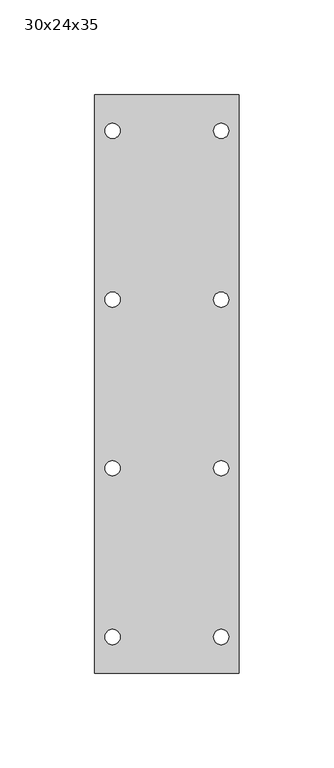
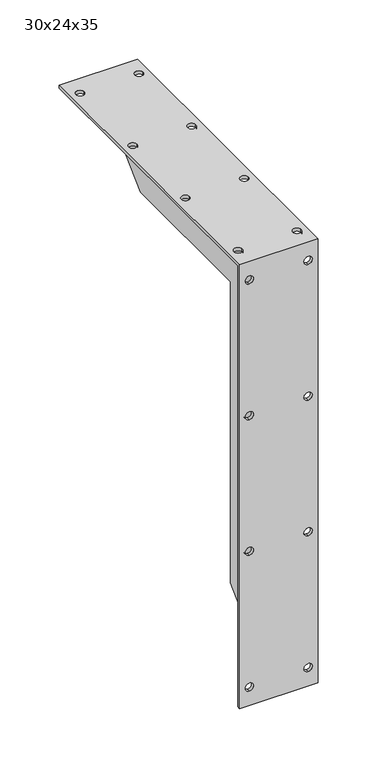
"""IFC4 building model written with IfcOpenShell, lengths in millimetres: furniture geometry, 30x24x35."""

import ifcopenshell
import ifcopenshell.guid

model = None  # the IFC model being written
_history = None  # IfcOwnerHistory: only IFC2X3 demands one
_inside = {}  # id of a spatial element -> (the spatial element, [elements in it])
_under = {}  # id of a project, library or spatial element -> (it, [spatial elements below it])
_declared = {}  # id of a project -> (the project, [libraries it declares])
_typed = {}  # id of a type object -> (the type object, [elements of that type])
_made_of = {}  # id of a material, layer set ... -> (it, [elements and type objects made of it])


def new_model(schema):
    """Start an empty IFC model of exactly this schema.

    Asked for "IFC4X3", IfcOpenShell would pick the latest addendum, in which some entities
    have other attributes; the version numbers below select the first issue.
    IFC2X3 requires an IfcOwnerHistory on every rooted entity: one is made here for all.
    """
    global model, _history
    if schema == "IFC4X3":
        model = ifcopenshell.file(schema_version=(4, 3, 0, 0))
    else:
        model = ifcopenshell.file(schema=schema)
    _inside.clear()
    _under.clear()
    _declared.clear()
    _typed.clear()
    _made_of.clear()
    _history = None
    if model.schema == "IFC2X3":
        org = make("IfcOrganization", Name="unknown")
        user = make(
            "IfcPersonAndOrganization",
            ThePerson=make("IfcPerson", FamilyName="unknown"),
            TheOrganization=org,
        )
        app = make(
            "IfcApplication",
            ApplicationDeveloper=org,
            Version="unknown",
            ApplicationFullName="unknown",
            ApplicationIdentifier="unknown",
        )
        _history = make(
            "IfcOwnerHistory",
            OwningUser=user,
            OwningApplication=app,
            ChangeAction="ADDED",
            CreationDate=0,
        )
    return model


def make(cls, **values):
    """One entity of the class cls with the attributes given. An attribute that is None is left unset."""
    return model.create_entity(
        cls, **{name: value for name, value in values.items() if value is not None}
    )


def rooted(cls, **values):
    """An entity with a GlobalId (a new one), such as an element, a storey or a relation."""
    return make(cls, GlobalId=ifcopenshell.guid.new(), OwnerHistory=_history, **values)


def si_unit(unit_type, name, prefix=None):
    """IfcSIUnit, for example si_unit("LENGTHUNIT", "METRE", prefix="MILLI")."""
    return make("IfcSIUnit", UnitType=unit_type, Prefix=prefix, Name=name)


def assignment(units):
    """IfcUnitAssignment: the units of a project."""
    return None if units is None else make("IfcUnitAssignment", Units=units)


def point(xyz):
    """IfcCartesianPoint."""
    return None if xyz is None else make("IfcCartesianPoint", Coordinates=xyz)


def direction(xyz):
    """IfcDirection."""
    return None if xyz is None else make("IfcDirection", DirectionRatios=xyz)


def frame(location, z_axis=None, x_axis=None):
    """IfcAxis2Placement3D, a coordinate frame: its origin and axes. An axis left out is left unset."""
    return make(
        "IfcAxis2Placement3D",
        Location=point(location),
        Axis=direction(z_axis),
        RefDirection=direction(x_axis),
    )


def origin():
    """The frame at (0, 0, 0) with its axes left unset."""
    return frame((0.0, 0.0, 0.0))


def place(relative_to, where):
    """IfcLocalPlacement: puts the frame where relative to a parent placement (None: the world)."""
    return make(
        "IfcLocalPlacement", PlacementRelTo=relative_to, RelativePlacement=where
    )


def context(
    kind, dimensions, precision=None, world=None, true_north=None, identifier=None
):
    """IfcGeometricRepresentationContext, for example the 3D "Model" context."""
    return make(
        "IfcGeometricRepresentationContext",
        ContextIdentifier=identifier,
        ContextType=kind,
        CoordinateSpaceDimension=dimensions,
        Precision=precision,
        WorldCoordinateSystem=world,
        TrueNorth=true_north,
    )


def project(units=None, contexts=None):
    """IfcProject with its units and contexts."""
    return rooted(
        "IfcProject",
        Name="project",
        RepresentationContexts=contexts,
        UnitsInContext=assignment(units),
    )


def spatial(cls, under=None, at=None, **own):
    """A site, building, storey or space (cls), placed at a placement, below another one or the project."""
    s = rooted(cls, ObjectPlacement=at, **own)
    if under is not None:
        _under.setdefault(under.id(), (under, []))[1].append(s)
    return s


def polyline(points):
    """IfcPolyline through the points."""
    return make("IfcPolyline", Points=[point(p) for p in points])


def circle_curve(where, radius):
    """IfcCircle in the frame where."""
    return make("IfcCircle", Position=where, Radius=radius)


def outline(outer, holes=None, kind="AREA"):
    """IfcArbitraryClosedProfileDef: a profile drawn as a closed curve; with holes, ...WithVoids."""
    if holes is None:
        return make("IfcArbitraryClosedProfileDef", ProfileType=kind, OuterCurve=outer)
    return make(
        "IfcArbitraryProfileDefWithVoids",
        ProfileType=kind,
        OuterCurve=outer,
        InnerCurves=holes,
    )


def extrude(swept, where, along, depth):
    """IfcExtrudedAreaSolid: the profile swept, set in the frame where, extruded along a direction by depth."""
    return make(
        "IfcExtrudedAreaSolid",
        SweptArea=swept,
        Position=where,
        ExtrudedDirection=direction(along),
        Depth=depth,
    )


def shape(context_of_items, identifier, shape_type, items):
    """IfcShapeRepresentation: the items that make up one representation, for example the "Body"."""
    return make(
        "IfcShapeRepresentation",
        ContextOfItems=context_of_items,
        RepresentationIdentifier=identifier,
        RepresentationType=shape_type,
        Items=items,
    )


def source(mapping_origin, context_of_items, identifier, shape_type, items):
    """IfcRepresentationMap: a shape defined once, which mapped items show again and again."""
    return make(
        "IfcRepresentationMap",
        MappingOrigin=mapping_origin,
        MappedRepresentation=shape(context_of_items, identifier, shape_type, items),
    )


def transform(
    local_origin,
    x_axis=None,
    y_axis=None,
    z_axis=None,
    scale=None,
    scale2=None,
    scale3=None,
    uniform=True,
):
    """IfcCartesianTransformationOperator3D, or its non-uniform kind. x_axis, y_axis, z_axis: its Axis1, 2, 3."""
    if uniform:
        return make(
            "IfcCartesianTransformationOperator3D",
            Axis1=direction(x_axis),
            Axis2=direction(y_axis),
            LocalOrigin=point(local_origin),
            Scale=scale,
            Axis3=direction(z_axis),
        )
    return make(
        "IfcCartesianTransformationOperator3DnonUniform",
        Axis1=direction(x_axis),
        Axis2=direction(y_axis),
        LocalOrigin=point(local_origin),
        Scale=scale,
        Axis3=direction(z_axis),
        Scale2=scale2,
        Scale3=scale3,
    )


def mapped(mapping_source, mapping_target):
    """IfcMappedItem: shows the shape of a source again, moved by a transform."""
    return make(
        "IfcMappedItem", MappingSource=mapping_source, MappingTarget=mapping_target
    )


def made_of(thing, what):
    """Note that an element or type object is made of a material, layer set ...; save() writes the relation."""
    if what is not None:
        _made_of.setdefault(what.id(), (what, []))[1].append(thing)
    return thing


def element(
    cls,
    number,
    at=None,
    inside=None,
    cuts=None,
    type_object=None,
    material=None,
    context=None,
    identifier="Body",
    shape_type=None,
    held_by="IfcProductDefinitionShape",
    body=None,
    shapes=None,
    **own,
):
    """One element of the class cls, such as IfcWall. Its Tag is "e" and its number.

    at: its placement. inside: the storey or other place that contains it. cuts: it is an
    opening in that element (IfcRelVoidsElement). A single representation is given by context,
    identifier, shape_type and body (its items); several are given by shapes. held_by: the class
    of the entity that holds the representations. save() writes the other relations.
    """
    e = rooted(cls, Tag="e%d" % number, ObjectPlacement=at, **own)
    if body is not None:
        shapes = [shape(context, identifier, shape_type, body)]
    if shapes is not None:
        e.Representation = make(held_by, Representations=shapes)
    if inside is not None:
        _inside.setdefault(inside.id(), (inside, []))[1].append(e)
    if cuts is not None:
        rooted(
            "IfcRelVoidsElement", RelatingBuildingElement=cuts, RelatedOpeningElement=e
        )
    if type_object is not None:
        _typed.setdefault(type_object.id(), (type_object, []))[1].append(e)
    return made_of(e, material)


def aggregate(whole, parts):
    """IfcRelAggregates: a whole, such as a stair, and the parts it consists of."""
    return rooted("IfcRelAggregates", RelatingObject=whole, RelatedObjects=parts)


def save(model, path):
    """Write the relations noted so far, then the file.

    IfcRelAggregates (storeys below a building ...), IfcRelContainedInSpatialStructure (elements
    in a storey), IfcRelDefinesByType, IfcRelAssociatesMaterial and IfcRelDeclares: one each for
    every whole, place, type object, material and project.
    """
    for whole, parts in _under.values():
        aggregate(whole, parts)
    for where, things in _inside.values():
        rooted(
            "IfcRelContainedInSpatialStructure",
            RelatedElements=things,
            RelatingStructure=where,
        )
    for kind, things in _typed.values():
        rooted("IfcRelDefinesByType", RelatedObjects=things, RelatingType=kind)
    for what, things in _made_of.values():
        rooted("IfcRelAssociatesMaterial", RelatedObjects=things, RelatingMaterial=what)
    for by, libraries in _declared.values():
        rooted("IfcRelDeclares", RelatingContext=by, RelatedDefinitions=libraries)
    model.write(path)


def plane_surface(at):
    """IfcPlane: the flat surface through the origin of the frame at, square to its z axis."""
    return make("IfcPlane", Position=at)


def revolved_surface(curve, axis_point, axis_direction):
    """IfcSurfaceOfRevolution: the curve turned about the line through axis_point along axis_direction."""
    return make(
        "IfcSurfaceOfRevolution",
        SweptCurve=make("IfcArbitraryOpenProfileDef", ProfileType="CURVE", Curve=curve),
        AxisPosition=make("IfcAxis1Placement", Location=point(axis_point), Axis=direction(axis_direction)),
    )


def advanced_brep(points, edges, surfaces, faces):
    """IfcAdvancedBrep: a solid bounded by faces that lie on surfaces and meet in shared edges.

    An edge is (start, end): straight between two places in points (the first is 0);
    or (start, end, curve); or (start, end, curve, False) where it runs against its curve.
    A face is (place in surfaces, loops), or (place, loops, False) where it looks against
    its surface's normal. A loop lists edges by number (the first is 1), with a minus sign
    where the edge is run from its end to its start. The first loop is the outer one.
    """
    corners = [point(p) for p in points]
    vertices = [make("IfcVertexPoint", VertexGeometry=c) for c in corners]
    made = []
    for start, end, *more in edges:
        made.append(
            make(
                "IfcEdgeCurve",
                EdgeStart=vertices[start],
                EdgeEnd=vertices[end],
                EdgeGeometry=more[0] if more else make("IfcPolyline", Points=[corners[start], corners[end]]),
                SameSense=more[1] if len(more) > 1 else True,
            )
        )
    hull = []
    for where, loops, *sense in faces:
        bounds = []
        for j, loop in enumerate(loops):
            ring = [make("IfcOrientedEdge", EdgeElement=made[abs(k) - 1], Orientation=k > 0) for k in loop]
            bounds.append(
                make(
                    "IfcFaceOuterBound" if j == 0 else "IfcFaceBound",
                    Bound=make("IfcEdgeLoop", EdgeList=ring),
                    Orientation=True,
                )
            )
        hull.append(make("IfcAdvancedFace", Bounds=bounds, FaceSurface=surfaces[where], SameSense=sense[0] if sense else True))
    return make("IfcAdvancedBrep", Outer=make("IfcClosedShell", CfsFaces=hull))


def furniture_30x24x35_a40abd54(model_context):
    return source(origin(), model_context, "Body", "SolidModel", [
        extrude(outline(polyline([(76.2124315, 220.6910271), (3.4124315, 149.4), (3.4124315, 603.6), (305.2124315, 603.6), (228.4972383, 530.8), (76.2124315, 530.8), (76.2124315, 220.6910271)])), frame((-335.9622951, 0.0, 0.0), z_axis=(1.0, 0.0, 0.0), x_axis=(0.0, 1.0, 0.0)), (0.0, 0.0, 1.0), 6.4),
        advanced_brep(
        [(-370.8622951, 0.4124315, 606.6), (-370.8622951, 305.2124315, 606.6), (-370.8622951, 305.2124315, 603.6), (-370.8622951, 3.4124315, 603.6), (-370.8622951, 3.4124315, 149.4), (-370.8622951, 0.4124315, 149.4), (-294.6622951, 0.4124315, 606.6), (-294.6622951, 0.4124315, 149.4), (-294.6622951, 3.4124315, 149.4), (-294.6622951, 3.4124315, 603.6), (-294.6622951, 305.2124315, 603.6), (-294.6622951, 305.2124315, 606.6), (-361.4622951, 0.4124315, 583.6), (-361.4622951, 0.4124315, 591.6), (-304.0622951, 0.4124315, 583.6), (-304.0622951, 0.4124315, 591.6), (-361.4622951, 0.4124315, 164.4), (-361.4622951, 0.4124315, 172.4), (-304.0622951, 0.4124315, 164.4), (-304.0622951, 0.4124315, 172.4), (-304.0622951, 0.4124315, 304.1333333), (-304.0622951, 0.4124315, 312.1333333), (-361.4622951, 0.4124315, 304.1333333), (-361.4622951, 0.4124315, 312.1333333), (-361.4622951, 0.4124315, 443.8666667), (-361.4622951, 0.4124315, 451.8666667), (-304.0622951, 0.4124315, 443.8666667), (-304.0622951, 0.4124315, 451.8666667), (-361.4622951, 3.4124315, 591.6), (-361.4622951, 3.4124315, 583.6), (-304.0622951, 3.4124315, 591.6), (-304.0622951, 3.4124315, 583.6), (-361.4622951, 3.4124315, 172.4), (-361.4622951, 3.4124315, 164.4), (-304.0622951, 3.4124315, 172.4), (-304.0622951, 3.4124315, 164.4), (-304.0622951, 3.4124315, 312.1333333), (-304.0622951, 3.4124315, 304.1333333), (-361.4622951, 3.4124315, 312.1333333), (-361.4622951, 3.4124315, 304.1333333), (-361.4622951, 3.4124315, 451.8666667), (-361.4622951, 3.4124315, 443.8666667), (-304.0622951, 3.4124315, 451.8666667), (-304.0622951, 3.4124315, 443.8666667), (-357.4622951, 286.2124315, 603.6), (-365.4622951, 286.2124315, 603.6), (-300.0622951, 286.2124315, 603.6), (-308.0622951, 286.2124315, 603.6), (-357.4622951, 197.2790981, 603.6), (-365.4622951, 197.2790981, 603.6), (-300.0622951, 197.2790981, 603.6), (-308.0622951, 197.2790981, 603.6), (-357.4622951, 108.3457648, 603.6), (-365.4622951, 108.3457648, 603.6), (-300.0622951, 108.3457648, 603.6), (-308.0622951, 108.3457648, 603.6), (-357.4622951, 19.4124315, 603.6), (-365.4622951, 19.4124315, 603.6), (-300.0622951, 19.4124315, 603.6), (-308.0622951, 19.4124315, 603.6), (-365.4622951, 286.2124315, 606.6), (-357.4622951, 286.2124315, 606.6), (-308.0622951, 286.2124315, 606.6), (-300.0622951, 286.2124315, 606.6), (-365.4622951, 197.2790981, 606.6), (-357.4622951, 197.2790981, 606.6), (-308.0622951, 197.2790981, 606.6), (-300.0622951, 197.2790981, 606.6), (-365.4622951, 108.3457648, 606.6), (-357.4622951, 108.3457648, 606.6), (-308.0622951, 108.3457648, 606.6), (-300.0622951, 108.3457648, 606.6), (-365.4622951, 19.4124315, 606.6), (-357.4622951, 19.4124315, 606.6), (-308.0622951, 19.4124315, 606.6), (-300.0622951, 19.4124315, 606.6)],
        [
            (0, 1),
            (1, 2),
            (2, 3),
            (3, 4),
            (4, 5),
            (5, 0),
            (6, 7),
            (7, 8),
            (8, 9),
            (9, 10),
            (10, 11),
            (11, 6),
            (5, 7),
            (6, 0),
            (12, 13, circle_curve(frame((-361.4622951, 0.4124315, 587.6), z_axis=(0.0, 1.0, 0.0), x_axis=(0.0, 0.0, 1.0)), 4.0)),
            (13, 12, circle_curve(frame((-361.4622951, 0.4124315, 587.6), z_axis=(0.0, 1.0, 0.0), x_axis=(0.0, 0.0, 1.0)), 4.0)),
            (14, 15, circle_curve(frame((-304.0622951, 0.4124315, 587.6), z_axis=(0.0, 1.0, 0.0), x_axis=(0.0, 0.0, 1.0)), 4.0)),
            (15, 14, circle_curve(frame((-304.0622951, 0.4124315, 587.6), z_axis=(0.0, 1.0, 0.0), x_axis=(0.0, 0.0, 1.0)), 4.0)),
            (16, 17, circle_curve(frame((-361.4622951, 0.4124315, 168.4), z_axis=(0.0, 1.0, 0.0), x_axis=(0.0, 0.0, 1.0)), 4.0)),
            (17, 16, circle_curve(frame((-361.4622951, 0.4124315, 168.4), z_axis=(0.0, 1.0, 0.0), x_axis=(0.0, 0.0, 1.0)), 4.0)),
            (18, 19, circle_curve(frame((-304.0622951, 0.4124315, 168.4), z_axis=(0.0, 1.0, 0.0), x_axis=(0.0, 0.0, 1.0)), 4.0)),
            (19, 18, circle_curve(frame((-304.0622951, 0.4124315, 168.4), z_axis=(0.0, 1.0, 0.0), x_axis=(0.0, 0.0, 1.0)), 4.0)),
            (20, 21, circle_curve(frame((-304.0622951, 0.4124315, 308.1333333), z_axis=(0.0, 1.0, 0.0), x_axis=(0.0, 0.0, 1.0)), 4.0)),
            (21, 20, circle_curve(frame((-304.0622951, 0.4124315, 308.1333333), z_axis=(0.0, 1.0, 0.0), x_axis=(0.0, 0.0, 1.0)), 4.0)),
            (22, 23, circle_curve(frame((-361.4622951, 0.4124315, 308.1333333), z_axis=(0.0, 1.0, 0.0), x_axis=(0.0, 0.0, 1.0)), 4.0)),
            (23, 22, circle_curve(frame((-361.4622951, 0.4124315, 308.1333333), z_axis=(0.0, 1.0, 0.0), x_axis=(0.0, 0.0, 1.0)), 4.0)),
            (24, 25, circle_curve(frame((-361.4622951, 0.4124315, 447.8666667), z_axis=(0.0, 1.0, 0.0), x_axis=(0.0, 0.0, 1.0)), 4.0)),
            (25, 24, circle_curve(frame((-361.4622951, 0.4124315, 447.8666667), z_axis=(0.0, 1.0, 0.0), x_axis=(0.0, 0.0, 1.0)), 4.0)),
            (26, 27, circle_curve(frame((-304.0622951, 0.4124315, 447.8666667), z_axis=(0.0, 1.0, 0.0), x_axis=(0.0, 0.0, 1.0)), 4.0)),
            (27, 26, circle_curve(frame((-304.0622951, 0.4124315, 447.8666667), z_axis=(0.0, 1.0, 0.0), x_axis=(0.0, 0.0, 1.0)), 4.0)),
            (4, 8),
            (3, 9),
            (28, 29, circle_curve(frame((-361.4622951, 3.4124315, 587.6), z_axis=(0.0, -1.0, 0.0), x_axis=(0.0, 0.0, 1.0)), 4.0)),
            (29, 28, circle_curve(frame((-361.4622951, 3.4124315, 587.6), z_axis=(0.0, -1.0, 0.0), x_axis=(0.0, 0.0, 1.0)), 4.0)),
            (30, 31, circle_curve(frame((-304.0622951, 3.4124315, 587.6), z_axis=(0.0, -1.0, 0.0), x_axis=(0.0, 0.0, 1.0)), 4.0)),
            (31, 30, circle_curve(frame((-304.0622951, 3.4124315, 587.6), z_axis=(0.0, -1.0, 0.0), x_axis=(0.0, 0.0, 1.0)), 4.0)),
            (32, 33, circle_curve(frame((-361.4622951, 3.4124315, 168.4), z_axis=(0.0, -1.0, 0.0), x_axis=(0.0, 0.0, 1.0)), 4.0)),
            (33, 32, circle_curve(frame((-361.4622951, 3.4124315, 168.4), z_axis=(0.0, -1.0, 0.0), x_axis=(0.0, 0.0, 1.0)), 4.0)),
            (34, 35, circle_curve(frame((-304.0622951, 3.4124315, 168.4), z_axis=(0.0, -1.0, 0.0), x_axis=(0.0, 0.0, 1.0)), 4.0)),
            (35, 34, circle_curve(frame((-304.0622951, 3.4124315, 168.4), z_axis=(0.0, -1.0, 0.0), x_axis=(0.0, 0.0, 1.0)), 4.0)),
            (36, 37, circle_curve(frame((-304.0622951, 3.4124315, 308.1333333), z_axis=(0.0, -1.0, 0.0), x_axis=(0.0, 0.0, 1.0)), 4.0)),
            (37, 36, circle_curve(frame((-304.0622951, 3.4124315, 308.1333333), z_axis=(0.0, -1.0, 0.0), x_axis=(0.0, 0.0, 1.0)), 4.0)),
            (38, 39, circle_curve(frame((-361.4622951, 3.4124315, 308.1333333), z_axis=(0.0, -1.0, 0.0), x_axis=(0.0, 0.0, 1.0)), 4.0)),
            (39, 38, circle_curve(frame((-361.4622951, 3.4124315, 308.1333333), z_axis=(0.0, -1.0, 0.0), x_axis=(0.0, 0.0, 1.0)), 4.0)),
            (40, 41, circle_curve(frame((-361.4622951, 3.4124315, 447.8666667), z_axis=(0.0, -1.0, 0.0), x_axis=(0.0, 0.0, 1.0)), 4.0)),
            (41, 40, circle_curve(frame((-361.4622951, 3.4124315, 447.8666667), z_axis=(0.0, -1.0, 0.0), x_axis=(0.0, 0.0, 1.0)), 4.0)),
            (42, 43, circle_curve(frame((-304.0622951, 3.4124315, 447.8666667), z_axis=(0.0, -1.0, 0.0), x_axis=(0.0, 0.0, 1.0)), 4.0)),
            (43, 42, circle_curve(frame((-304.0622951, 3.4124315, 447.8666667), z_axis=(0.0, -1.0, 0.0), x_axis=(0.0, 0.0, 1.0)), 4.0)),
            (2, 10),
            (44, 45, circle_curve(frame((-361.4622951, 286.2124315, 603.6), z_axis=(0.0, 0.0, 1.0), x_axis=(-1.0, 0.0, 0.0)), 4.0)),
            (45, 44, circle_curve(frame((-361.4622951, 286.2124315, 603.6), z_axis=(0.0, 0.0, 1.0), x_axis=(-1.0, 0.0, 0.0)), 4.0)),
            (46, 47, circle_curve(frame((-304.0622951, 286.2124315, 603.6), z_axis=(0.0, 0.0, 1.0), x_axis=(-1.0, 0.0, 0.0)), 4.0)),
            (47, 46, circle_curve(frame((-304.0622951, 286.2124315, 603.6), z_axis=(0.0, 0.0, 1.0), x_axis=(-1.0, 0.0, 0.0)), 4.0)),
            (48, 49, circle_curve(frame((-361.4622951, 197.2790981, 603.6), z_axis=(0.0, 0.0, 1.0), x_axis=(-1.0, 0.0, 0.0)), 4.0)),
            (49, 48, circle_curve(frame((-361.4622951, 197.2790981, 603.6), z_axis=(0.0, 0.0, 1.0), x_axis=(-1.0, 0.0, 0.0)), 4.0)),
            (50, 51, circle_curve(frame((-304.0622951, 197.2790981, 603.6), z_axis=(0.0, 0.0, 1.0), x_axis=(-1.0, 0.0, 0.0)), 4.0)),
            (51, 50, circle_curve(frame((-304.0622951, 197.2790981, 603.6), z_axis=(0.0, 0.0, 1.0), x_axis=(-1.0, 0.0, 0.0)), 4.0)),
            (52, 53, circle_curve(frame((-361.4622951, 108.3457648, 603.6), z_axis=(0.0, 0.0, 1.0), x_axis=(-1.0, 0.0, 0.0)), 4.0)),
            (53, 52, circle_curve(frame((-361.4622951, 108.3457648, 603.6), z_axis=(0.0, 0.0, 1.0), x_axis=(-1.0, 0.0, 0.0)), 4.0)),
            (54, 55, circle_curve(frame((-304.0622951, 108.3457648, 603.6), z_axis=(0.0, 0.0, 1.0), x_axis=(-1.0, 0.0, 0.0)), 4.0)),
            (55, 54, circle_curve(frame((-304.0622951, 108.3457648, 603.6), z_axis=(0.0, 0.0, 1.0), x_axis=(-1.0, 0.0, 0.0)), 4.0)),
            (56, 57, circle_curve(frame((-361.4622951, 19.4124315, 603.6), z_axis=(0.0, 0.0, 1.0), x_axis=(-1.0, 0.0, 0.0)), 4.0)),
            (57, 56, circle_curve(frame((-361.4622951, 19.4124315, 603.6), z_axis=(0.0, 0.0, 1.0), x_axis=(-1.0, 0.0, 0.0)), 4.0)),
            (58, 59, circle_curve(frame((-304.0622951, 19.4124315, 603.6), z_axis=(0.0, 0.0, 1.0), x_axis=(-1.0, 0.0, 0.0)), 4.0)),
            (59, 58, circle_curve(frame((-304.0622951, 19.4124315, 603.6), z_axis=(0.0, 0.0, 1.0), x_axis=(-1.0, 0.0, 0.0)), 4.0)),
            (1, 11),
            (60, 61, circle_curve(frame((-361.4622951, 286.2124315, 606.6), z_axis=(0.0, 0.0, -1.0), x_axis=(-1.0, 0.0, 0.0)), 4.0)),
            (61, 60, circle_curve(frame((-361.4622951, 286.2124315, 606.6), z_axis=(0.0, 0.0, -1.0), x_axis=(-1.0, 0.0, 0.0)), 4.0)),
            (62, 63, circle_curve(frame((-304.0622951, 286.2124315, 606.6), z_axis=(0.0, 0.0, -1.0), x_axis=(-1.0, 0.0, 0.0)), 4.0)),
            (63, 62, circle_curve(frame((-304.0622951, 286.2124315, 606.6), z_axis=(0.0, 0.0, -1.0), x_axis=(-1.0, 0.0, 0.0)), 4.0)),
            (64, 65, circle_curve(frame((-361.4622951, 197.2790981, 606.6), z_axis=(0.0, 0.0, -1.0), x_axis=(-1.0, 0.0, 0.0)), 4.0)),
            (65, 64, circle_curve(frame((-361.4622951, 197.2790981, 606.6), z_axis=(0.0, 0.0, -1.0), x_axis=(-1.0, 0.0, 0.0)), 4.0)),
            (66, 67, circle_curve(frame((-304.0622951, 197.2790981, 606.6), z_axis=(0.0, 0.0, -1.0), x_axis=(-1.0, 0.0, 0.0)), 4.0)),
            (67, 66, circle_curve(frame((-304.0622951, 197.2790981, 606.6), z_axis=(0.0, 0.0, -1.0), x_axis=(-1.0, 0.0, 0.0)), 4.0)),
            (68, 69, circle_curve(frame((-361.4622951, 108.3457648, 606.6), z_axis=(0.0, 0.0, -1.0), x_axis=(-1.0, 0.0, 0.0)), 4.0)),
            (69, 68, circle_curve(frame((-361.4622951, 108.3457648, 606.6), z_axis=(0.0, 0.0, -1.0), x_axis=(-1.0, 0.0, 0.0)), 4.0)),
            (70, 71, circle_curve(frame((-304.0622951, 108.3457648, 606.6), z_axis=(0.0, 0.0, -1.0), x_axis=(-1.0, 0.0, 0.0)), 4.0)),
            (71, 70, circle_curve(frame((-304.0622951, 108.3457648, 606.6), z_axis=(0.0, 0.0, -1.0), x_axis=(-1.0, 0.0, 0.0)), 4.0)),
            (72, 73, circle_curve(frame((-361.4622951, 19.4124315, 606.6), z_axis=(0.0, 0.0, -1.0), x_axis=(-1.0, 0.0, 0.0)), 4.0)),
            (73, 72, circle_curve(frame((-361.4622951, 19.4124315, 606.6), z_axis=(0.0, 0.0, -1.0), x_axis=(-1.0, 0.0, 0.0)), 4.0)),
            (74, 75, circle_curve(frame((-304.0622951, 19.4124315, 606.6), z_axis=(0.0, 0.0, -1.0), x_axis=(-1.0, 0.0, 0.0)), 4.0)),
            (75, 74, circle_curve(frame((-304.0622951, 19.4124315, 606.6), z_axis=(0.0, 0.0, -1.0), x_axis=(-1.0, 0.0, 0.0)), 4.0)),
            (29, 12),
            (13, 28),
            (31, 14),
            (15, 30),
            (33, 16),
            (17, 32),
            (35, 18),
            (19, 34),
            (37, 20),
            (21, 36),
            (39, 22),
            (23, 38),
            (41, 24),
            (25, 40),
            (43, 26),
            (27, 42),
            (61, 44),
            (45, 60),
            (63, 46),
            (47, 62),
            (65, 48),
            (49, 64),
            (67, 50),
            (51, 66),
            (69, 52),
            (53, 68),
            (71, 54),
            (55, 70),
            (73, 56),
            (57, 72),
            (75, 58),
            (59, 74),
        ],
        [
            plane_surface(frame((-370.8622951, 0.4124315, 149.4), z_axis=(-1.0, 0.0, 0.0), x_axis=(0.0, 0.0, -1.0))),
            plane_surface(frame((-294.6622951, 0.4124315, 149.4), z_axis=(1.0, 0.0, 0.0), x_axis=(0.0, 0.0, 1.0))),
            plane_surface(frame((-370.8622951, 0.4124315, 606.6), z_axis=(0.0, -1.0, 0.0), x_axis=(1.0, 0.0, 0.0))),
            plane_surface(frame((-370.8622951, 0.4124315, 149.4), z_axis=(0.0, 0.0, -1.0), x_axis=(1.0, 0.0, 0.0))),
            plane_surface(frame((-370.8622951, 3.4124315, 149.4), z_axis=(0.0, 1.0, 0.0), x_axis=(1.0, 0.0, 0.0))),
            plane_surface(frame((-370.8622951, 3.4124315, 603.6), z_axis=(0.0, 0.0, -1.0), x_axis=(1.0, 0.0, 0.0))),
            plane_surface(frame((-370.8622951, 305.2124315, 603.6), z_axis=(0.0, 1.0, 0.0), x_axis=(1.0, 0.0, 0.0))),
            plane_surface(frame((-370.8622951, 305.2124315, 606.6), z_axis=(0.0, 0.0, 1.0), x_axis=(1.0, 0.0, 0.0))),
            revolved_surface(polyline([(-361.4622951, 3.4124315, 591.6), (-361.4622951, 0.4124315, 591.6)]), (-361.4622951, 0.4124315, 587.6), (0.0, 1.0, 0.0)),
            revolved_surface(polyline([(-304.0622951, 3.4124315, 591.6), (-304.0622951, 0.41243149999999984, 591.6)]), (-304.0622951, 3.4124315, 587.6), (0.0, 1.0, 0.0)),
            revolved_surface(polyline([(-361.4622951, 3.4124315, 172.4), (-361.4622951, 0.41243149999999984, 172.4)]), (-361.4622951, 3.4124315, 168.4), (0.0, 1.0, 0.0)),
            revolved_surface(polyline([(-304.0622951, 3.4124315, 172.4), (-304.0622951, 0.41243149999999984, 172.4)]), (-304.0622951, 3.4124315, 168.4), (0.0, 1.0, 0.0)),
            revolved_surface(polyline([(-304.0622951, 3.4124315, 312.1333333), (-304.0622951, 0.41243149999999984, 312.1333333)]), (-304.0622951, 3.4124315, 308.1333333), (0.0, 1.0, 0.0)),
            revolved_surface(polyline([(-361.4622951, 3.4124315, 312.1333333), (-361.4622951, 0.41243149999999984, 312.1333333)]), (-361.4622951, 3.4124315, 308.1333333), (0.0, 1.0, 0.0)),
            revolved_surface(polyline([(-361.4622951, 3.4124315, 451.8666667), (-361.4622951, 0.41243149999999984, 451.8666667)]), (-361.4622951, 3.4124315, 447.8666667), (0.0, 1.0, 0.0)),
            revolved_surface(polyline([(-304.0622951, 3.4124315, 451.8666667), (-304.0622951, 0.41243149999999984, 451.8666667)]), (-304.0622951, 3.4124315, 447.8666667), (0.0, 1.0, 0.0)),
            revolved_surface(polyline([(-365.4622951, 286.2124315, 606.6), (-365.4622951, 286.2124315, 603.6)]), (-361.4622951, 286.2124315, 603.6), (0.0, 0.0, 1.0)),
            revolved_surface(polyline([(-308.0622951, 286.2124315, 606.6), (-308.0622951, 286.2124315, 603.6)]), (-304.0622951, 286.2124315, 606.6), (0.0, 0.0, 1.0)),
            revolved_surface(polyline([(-365.4622951, 197.2790981, 606.6), (-365.4622951, 197.2790981, 603.6)]), (-361.4622951, 197.2790981, 606.6), (0.0, 0.0, 1.0)),
            revolved_surface(polyline([(-308.0622951, 197.2790981, 606.6), (-308.0622951, 197.2790981, 603.6)]), (-304.0622951, 197.2790981, 606.6), (0.0, 0.0, 1.0)),
            revolved_surface(polyline([(-365.4622951, 108.3457648, 606.6), (-365.4622951, 108.3457648, 603.6)]), (-361.4622951, 108.3457648, 606.6), (0.0, 0.0, 1.0)),
            revolved_surface(polyline([(-308.0622951, 108.3457648, 606.6), (-308.0622951, 108.3457648, 603.6)]), (-304.0622951, 108.3457648, 606.6), (0.0, 0.0, 1.0)),
            revolved_surface(polyline([(-365.4622951, 19.4124315, 606.6), (-365.4622951, 19.4124315, 603.6)]), (-361.4622951, 19.4124315, 606.6), (0.0, 0.0, 1.0)),
            revolved_surface(polyline([(-308.0622951, 19.4124315, 606.6), (-308.0622951, 19.4124315, 603.6)]), (-304.0622951, 19.4124315, 606.6), (0.0, 0.0, 1.0)),
        ],
        [
            (0, [[1, 2, 3, 4, 5, 6]]),
            (1, [[7, 8, 9, 10, 11, 12]]),
            (2, [[13, -7, 14, -6], [15, 16], [17, 18], [19, 20], [21, 22], [23, 24], [25, 26], [27, 28], [29, 30]]),
            (3, [[31, -8, -13, -5]]),
            (4, [[32, -9, -31, -4], [33, 34], [35, 36], [37, 38], [39, 40], [41, 42], [43, 44], [45, 46], [47, 48]]),
            (5, [[49, -10, -32, -3], [50, 51], [52, 53], [54, 55], [56, 57], [58, 59], [60, 61], [62, 63], [64, 65]]),
            (6, [[66, -11, -49, -2]]),
            (7, [[-14, -12, -66, -1], [67, 68], [69, 70], [71, 72], [73, 74], [75, 76], [77, 78], [79, 80], [81, 82]]),
            (8, [[-34, 83, -16, 84]]),
            (8, [[-15, -83, -33, -84]]),
            (9, [[-36, 85, -18, 86]]),
            (9, [[-17, -85, -35, -86]]),
            (10, [[-38, 87, -20, 88]]),
            (10, [[-19, -87, -37, -88]]),
            (11, [[-40, 89, -22, 90]]),
            (11, [[-21, -89, -39, -90]]),
            (12, [[-42, 91, -24, 92]]),
            (12, [[-23, -91, -41, -92]]),
            (13, [[-44, 93, -26, 94]]),
            (13, [[-25, -93, -43, -94]]),
            (14, [[-46, 95, -28, 96]]),
            (14, [[-27, -95, -45, -96]]),
            (15, [[-48, 97, -30, 98]]),
            (15, [[-29, -97, -47, -98]]),
            (16, [[-68, 99, -51, 100]]),
            (16, [[-50, -99, -67, -100]]),
            (17, [[-70, 101, -53, 102]]),
            (17, [[-52, -101, -69, -102]]),
            (18, [[-72, 103, -55, 104]]),
            (18, [[-54, -103, -71, -104]]),
            (19, [[-74, 105, -57, 106]]),
            (19, [[-56, -105, -73, -106]]),
            (20, [[-76, 107, -59, 108]]),
            (20, [[-58, -107, -75, -108]]),
            (21, [[-78, 109, -61, 110]]),
            (21, [[-60, -109, -77, -110]]),
            (22, [[-80, 111, -63, 112]]),
            (22, [[-62, -111, -79, -112]]),
            (23, [[-82, 113, -65, 114]]),
            (23, [[-64, -113, -81, -114]]),
        ],
    ),
    ])


if __name__ == "__main__":
    model = new_model("IFC4")
    model_context = context("Model", 3, world=origin())
    ifc_project = project(units=[si_unit("LENGTHUNIT", "METRE", prefix="MILLI")], contexts=[model_context])
    site = spatial("IfcSite", under=ifc_project)
    building = spatial("IfcBuilding", under=site)
    placement = place(None, origin())
    furniture_30x24x35_shape = furniture_30x24x35_a40abd54(model_context)
    element("IfcFurniture", 1, ObjectType="30x24x35", at=placement, inside=building, context=model_context, shape_type="MappedRepresentation", body=[
        mapped(furniture_30x24x35_shape, transform((0.0, 0.0, 0.0), x_axis=(1.0, 0.0, 0.0), y_axis=(0.0, 1.0, 0.0), z_axis=(0.0, 0.0, 1.0))),
    ])
    save(model, "model.ifc")
